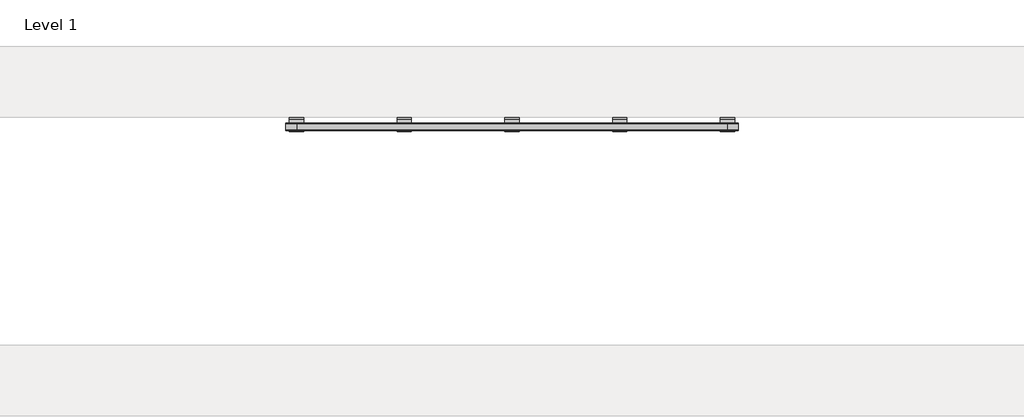
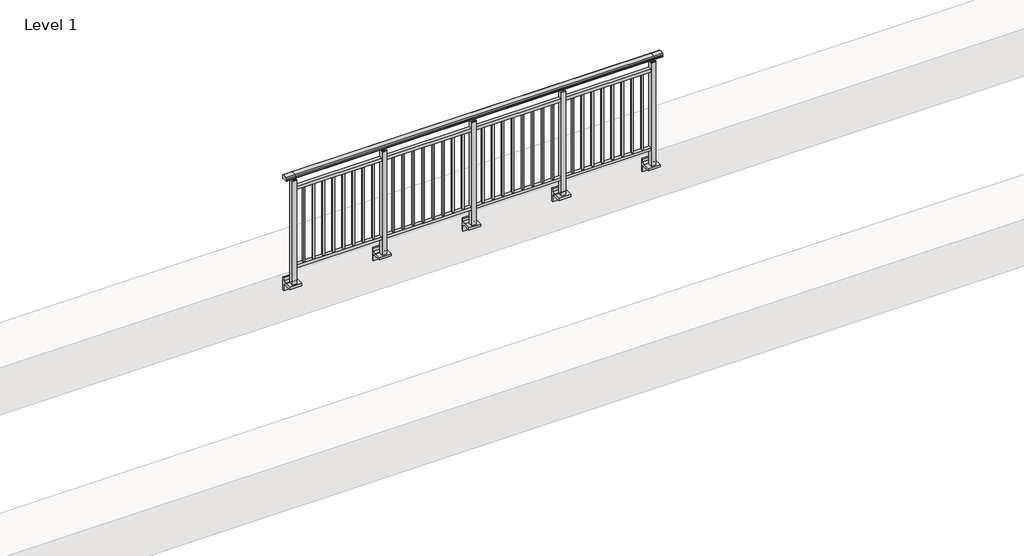
# One storey, part 15 of 64: 1 railing.
"""IFC4 building model written with IfcOpenShell, lengths in millimetres."""

from ifc_helpers import new_model, si_unit, point, frame, frame_2d, origin, place, context, project, spatial, polyline, circle_curve, trimmed, segment, composite_curve, outline, extrude, element, save
from ifc_brep_helpers import plane_surface, cylinder_surface, revolved_surface, advanced_brep

model = new_model("IFC4")

# Units and contexts
model_context = context("Model", 3, world=origin())
ifc_project = project(units=[si_unit("LENGTHUNIT", "METRE", prefix="MILLI")], contexts=[model_context])

# Site, building, storey
site = spatial("IfcSite", under=ifc_project)
building = spatial("IfcBuilding", under=site)
storey = spatial("IfcBuildingStorey", under=building, Name="Level 1", Elevation=0.0)

# Railing
placement = place(None, origin())
element("IfcRailing", 1, at=placement, inside=storey, context=model_context, shape_type="SolidModel", body=[
    advanced_brep(
    [(12910.0, 7342.8633756, 1095.6691182), (12910.0, 7347.6846828, 1081.1334092), (12910.0, 7346.7413744, 1069.2539035), (12910.0, 7348.6364177, 1061.4863007), (12910.0, 7346.9894799, 1060.384124), (12910.0, 7346.9894799, 1062.0), (12910.0, 7288.3798858, 1062.0), (12910.0, 7288.3798858, 1060.384124), (12910.0, 7286.732948, 1061.4863007), (12910.0, 7288.6279912, 1069.2539035), (12910.0, 7287.6846828, 1081.1334092), (12910.0, 7292.50599, 1095.6691182), (16690.0, 7342.8633756, 1095.6691182), (16690.0, 7292.50599, 1095.6691182), (16690.0, 7287.6846828, 1081.1334092), (16690.0, 7288.6279912, 1069.2539035), (16690.0, 7286.732948, 1061.4863007), (16690.0, 7288.3798858, 1060.384124), (16690.0, 7288.3798858, 1062.0), (16690.0, 7346.9894799, 1062.0), (16690.0, 7346.9894799, 1060.384124), (16690.0, 7348.6364177, 1061.4863007), (16690.0, 7346.7413744, 1069.2539035), (16690.0, 7347.6846828, 1081.1334092), (13000.0, 7342.8633756, 1095.6691182), (13000.0, 7347.6846828, 1081.1334092), (13000.0, 7346.7413744, 1069.2539035), (13000.0, 7348.6364177, 1061.4863007), (13000.0, 7346.9894799, 1060.384124), (13000.0, 7346.9894799, 1062.0), (13000.0, 7288.3798858, 1062.0), (13000.0, 7288.3798858, 1060.384124), (13000.0, 7286.732948, 1061.4863007), (13000.0, 7288.6279912, 1069.2539035), (13000.0, 7287.6846828, 1081.1334092), (13000.0, 7292.50599, 1095.6691182), (16600.0, 7342.8633756, 1095.6691182), (16600.0, 7347.6846828, 1081.1334092), (16600.0, 7346.7413744, 1069.2539035), (16600.0, 7348.6364177, 1061.4863007), (16600.0, 7346.9894799, 1060.384124), (16600.0, 7346.9894799, 1062.0), (16600.0, 7288.3798858, 1062.0), (16600.0, 7288.3798858, 1060.384124), (16600.0, 7286.732948, 1061.4863007), (16600.0, 7288.6279912, 1069.2539035), (16600.0, 7287.6846828, 1081.1334092), (16600.0, 7292.50599, 1095.6691182)],
    [
        (0, 1, circle_curve(frame((12910.0, 7339.6223845, 1086.526686), z_axis=(-1.0, 0.0, 0.0), x_axis=(0.0, -1.0, 0.0)), 9.6999015)),
        (1, 2, circle_curve(frame((12910.0, 7365.2252545, 1073.7633709), z_axis=(1.0, 0.0, 0.0), x_axis=(0.0, -1.0, 0.0)), 19.0260117)),
        (2, 3),
        (3, 4, circle_curve(frame((12910.0, 7347.7772073, 1060.9886194), z_axis=(-1.0, 0.0, 0.0), x_axis=(0.0, -1.0, 0.0)), 0.9929396)),
        (4, 5),
        (5, 6),
        (6, 7),
        (7, 8, circle_curve(frame((12910.0, 7287.5921584, 1060.9886194), z_axis=(-1.0, 0.0, 0.0), x_axis=(0.0, 1.0, 0.0)), 0.9929396)),
        (8, 9),
        (9, 10, circle_curve(frame((12910.0, 7270.1441111, 1073.7633709), z_axis=(1.0, 0.0, 0.0), x_axis=(0.0, 1.0, 0.0)), 19.0260117)),
        (10, 11, circle_curve(frame((12910.0, 7295.7469812, 1086.526686), z_axis=(-1.0, 0.0, 0.0), x_axis=(0.0, 1.0, 0.0)), 9.6999015)),
        (11, 0, circle_curve(frame((12910.0, 7317.6846828, 1024.6431628), z_axis=(-1.0, 0.0, 0.0), x_axis=(0.0, 1.0, 0.0)), 75.3568372)),
        (12, 13, circle_curve(frame((16690.0, 7317.6846828, 1024.6431628), z_axis=(1.0, 0.0, 0.0), x_axis=(0.0, 1.0, 0.0)), 75.3568372)),
        (13, 14, circle_curve(frame((16690.0, 7295.7469812, 1086.526686), z_axis=(1.0, 0.0, 0.0), x_axis=(0.0, 1.0, 0.0)), 9.6999015)),
        (14, 15, circle_curve(frame((16690.0, 7270.1441111, 1073.7633709), z_axis=(-1.0, 0.0, 0.0), x_axis=(0.0, 1.0, 0.0)), 19.0260117)),
        (15, 16),
        (16, 17, circle_curve(frame((16690.0, 7287.5921584, 1060.9886194), z_axis=(1.0, 0.0, 0.0), x_axis=(0.0, 1.0, 0.0)), 0.9929396)),
        (17, 18),
        (18, 19),
        (19, 20),
        (20, 21, circle_curve(frame((16690.0, 7347.7772073, 1060.9886194), z_axis=(1.0, 0.0, 0.0), x_axis=(0.0, -1.0, 0.0)), 0.9929396)),
        (21, 22),
        (22, 23, circle_curve(frame((16690.0, 7365.2252545, 1073.7633709), z_axis=(-1.0, 0.0, 0.0), x_axis=(0.0, -1.0, 0.0)), 19.0260117)),
        (23, 12, circle_curve(frame((16690.0, 7339.6223845, 1086.526686), z_axis=(1.0, 0.0, 0.0), x_axis=(0.0, -1.0, 0.0)), 9.6999015)),
        (0, 24),
        (24, 25, circle_curve(frame((13000.0, 7339.6223845, 1086.526686), z_axis=(-1.0, 0.0, 0.0), x_axis=(0.0, -1.0, 0.0)), 9.6999015)),
        (25, 1),
        (25, 26, circle_curve(frame((13000.0, 7365.2252545, 1073.7633709), z_axis=(1.0, 0.0, 0.0), x_axis=(0.0, -1.0, 0.0)), 19.0260117)),
        (26, 2),
        (26, 27),
        (27, 3),
        (27, 28, circle_curve(frame((13000.0, 7347.7772073, 1060.9886194), z_axis=(-1.0, 0.0, 0.0), x_axis=(0.0, -1.0, 0.0)), 0.9929396)),
        (28, 4),
        (28, 29),
        (29, 5),
        (29, 30),
        (30, 6),
        (30, 31),
        (31, 7),
        (31, 32, circle_curve(frame((13000.0, 7287.5921584, 1060.9886194), z_axis=(-1.0, 0.0, 0.0), x_axis=(0.0, 1.0, 0.0)), 0.9929396)),
        (32, 8),
        (32, 33),
        (33, 9),
        (33, 34, circle_curve(frame((13000.0, 7270.1441111, 1073.7633709), z_axis=(1.0, 0.0, 0.0), x_axis=(0.0, 1.0, 0.0)), 19.0260117)),
        (34, 10),
        (34, 35, circle_curve(frame((13000.0, 7295.7469812, 1086.526686), z_axis=(-1.0, 0.0, 0.0), x_axis=(0.0, 1.0, 0.0)), 9.6999015)),
        (35, 11),
        (35, 24, circle_curve(frame((13000.0, 7317.6846828, 1024.6431628), z_axis=(-1.0, 0.0, 0.0), x_axis=(0.0, 1.0, 0.0)), 75.3568372)),
        (24, 36),
        (36, 37, circle_curve(frame((16600.0, 7339.6223845, 1086.526686), z_axis=(-1.0, 0.0, 0.0), x_axis=(0.0, -1.0, 0.0)), 9.6999015)),
        (37, 25),
        (37, 38, circle_curve(frame((16600.0, 7365.2252545, 1073.7633709), z_axis=(1.0, 0.0, 0.0), x_axis=(0.0, -1.0, 0.0)), 19.0260117)),
        (38, 26),
        (38, 39),
        (39, 27),
        (39, 40, circle_curve(frame((16600.0, 7347.7772073, 1060.9886194), z_axis=(-1.0, 0.0, 0.0), x_axis=(0.0, -1.0, 0.0)), 0.9929396)),
        (40, 28),
        (40, 41),
        (41, 29),
        (41, 42),
        (42, 30),
        (42, 43),
        (43, 31),
        (43, 44, circle_curve(frame((16600.0, 7287.5921584, 1060.9886194), z_axis=(-1.0, 0.0, 0.0), x_axis=(0.0, 1.0, 0.0)), 0.9929396)),
        (44, 32),
        (44, 45),
        (45, 33),
        (45, 46, circle_curve(frame((16600.0, 7270.1441111, 1073.7633709), z_axis=(1.0, 0.0, 0.0), x_axis=(0.0, 1.0, 0.0)), 19.0260117)),
        (46, 34),
        (46, 47, circle_curve(frame((16600.0, 7295.7469812, 1086.526686), z_axis=(-1.0, 0.0, 0.0), x_axis=(0.0, 1.0, 0.0)), 9.6999015)),
        (47, 35),
        (47, 36, circle_curve(frame((16600.0, 7317.6846828, 1024.6431628), z_axis=(-1.0, 0.0, 0.0), x_axis=(0.0, 1.0, 0.0)), 75.3568372)),
        (36, 12),
        (23, 37),
        (22, 38),
        (21, 39),
        (20, 40),
        (19, 41),
        (18, 42),
        (17, 43),
        (16, 44),
        (15, 45),
        (14, 46),
        (13, 47),
    ],
    [
        plane_surface(frame((12910.0, 7317.6846828, 1100.0), z_axis=(-1.0, 0.0, 0.0), x_axis=(0.0, 1.0, 0.0))),
        plane_surface(frame((16690.0, 7317.6846828, 1100.0), z_axis=(1.0, 0.0, 0.0), x_axis=(0.0, 1.0, 0.0))),
        cylinder_surface(frame((12910.0, 7339.6223845, 1086.526686), z_axis=(-1.0, 0.0, 0.0), x_axis=(0.0, -1.0, 0.0)), 9.6999015),
        revolved_surface(polyline([(13000.0, 7346.1992428, 1073.7633709), (12910.0, 7346.1992428, 1073.7633709)]), (12910.0, 7365.2252545, 1073.7633709), (1.0, 0.0, 0.0)),
        plane_surface(frame((12910.0, 7346.7413744, 1069.2539035), z_axis=(0.0, 0.9715057689301543, 0.2370159086125439), x_axis=(1.0, 0.0, 0.0))),
        cylinder_surface(frame((12910.0, 7347.7772073, 1060.9886194), z_axis=(-1.0, 0.0, 0.0), x_axis=(0.0, -1.0, 0.0)), 0.9929396),
        plane_surface(frame((12910.0, 7346.9894799, 1060.384124), z_axis=(0.0, -1.0, 0.0), x_axis=(1.0, 0.0, 0.0))),
        plane_surface(frame((12910.0, 7346.9894799, 1062.0), z_axis=(0.0, 0.0, -1.0), x_axis=(1.0, 0.0, 0.0))),
        plane_surface(frame((12910.0, 7288.3798858, 1062.0), z_axis=(0.0, 1.0, 0.0), x_axis=(1.0, 0.0, 0.0))),
        cylinder_surface(frame((12910.0, 7287.5921584, 1060.9886194), z_axis=(-1.0, 0.0, 0.0), x_axis=(0.0, 1.0, 0.0)), 0.9929396),
        plane_surface(frame((12910.0, 7286.732948, 1061.4863007), z_axis=(0.0, -0.9715057689301543, 0.2370159086125439), x_axis=(1.0, 0.0, 0.0))),
        revolved_surface(polyline([(13000.0, 7289.1701228, 1073.7633709), (12910.0, 7289.1701228, 1073.7633709)]), (12910.0, 7270.1441111, 1073.7633709), (1.0, 0.0, 0.0)),
        cylinder_surface(frame((12910.0, 7295.7469812, 1086.526686), z_axis=(-1.0, 0.0, 0.0), x_axis=(0.0, 1.0, 0.0)), 9.6999015),
        cylinder_surface(frame((12910.0, 7317.6846828, 1024.6431628), z_axis=(-1.0, 0.0, 0.0), x_axis=(0.0, 1.0, 0.0)), 75.3568372),
        cylinder_surface(frame((13000.0, 7339.6223845, 1086.526686), z_axis=(-1.0, 0.0, 0.0), x_axis=(0.0, -1.0, 0.0)), 9.6999015),
        revolved_surface(polyline([(16600.0, 7346.1992428, 1073.7633709), (13000.0, 7346.1992428, 1073.7633709)]), (13000.0, 7365.2252545, 1073.7633709), (1.0, 0.0, 0.0)),
        plane_surface(frame((13000.0, 7346.7413744, 1069.2539035), z_axis=(0.0, 0.9715057689301543, 0.2370159086125439), x_axis=(1.0, 0.0, 0.0))),
        cylinder_surface(frame((13000.0, 7347.7772073, 1060.9886194), z_axis=(-1.0, 0.0, 0.0), x_axis=(0.0, -1.0, 0.0)), 0.9929396),
        plane_surface(frame((13000.0, 7346.9894799, 1060.384124), z_axis=(0.0, -1.0, 0.0), x_axis=(1.0, 0.0, 0.0))),
        plane_surface(frame((13000.0, 7346.9894799, 1062.0), z_axis=(0.0, 0.0, -1.0), x_axis=(1.0, 0.0, 0.0))),
        plane_surface(frame((13000.0, 7288.3798858, 1062.0), z_axis=(0.0, 1.0, 0.0), x_axis=(1.0, 0.0, 0.0))),
        cylinder_surface(frame((13000.0, 7287.5921584, 1060.9886194), z_axis=(-1.0, 0.0, 0.0), x_axis=(0.0, 1.0, 0.0)), 0.9929396),
        plane_surface(frame((13000.0, 7286.732948, 1061.4863007), z_axis=(0.0, -0.9715057689301543, 0.2370159086125439), x_axis=(1.0, 0.0, 0.0))),
        revolved_surface(polyline([(16600.0, 7289.1701228, 1073.7633709), (13000.0, 7289.1701228, 1073.7633709)]), (13000.0, 7270.1441111, 1073.7633709), (1.0, 0.0, 0.0)),
        cylinder_surface(frame((13000.0, 7295.7469812, 1086.526686), z_axis=(-1.0, 0.0, 0.0), x_axis=(0.0, 1.0, 0.0)), 9.6999015),
        cylinder_surface(frame((13000.0, 7317.6846828, 1024.6431628), z_axis=(-1.0, 0.0, 0.0), x_axis=(0.0, 1.0, 0.0)), 75.3568372),
        cylinder_surface(frame((16600.0, 7339.6223845, 1086.526686), z_axis=(-1.0, 0.0, 0.0), x_axis=(0.0, -1.0, 0.0)), 9.6999015),
        revolved_surface(polyline([(16690.0, 7346.1992428, 1073.7633709), (16600.0, 7346.1992428, 1073.7633709)]), (16600.0, 7365.2252545, 1073.7633709), (1.0, 0.0, 0.0)),
        plane_surface(frame((16600.0, 7346.7413744, 1069.2539035), z_axis=(0.0, 0.9715057689301543, 0.2370159086125439), x_axis=(1.0, 0.0, 0.0))),
        cylinder_surface(frame((16600.0, 7347.7772073, 1060.9886194), z_axis=(-1.0, 0.0, 0.0), x_axis=(0.0, -1.0, 0.0)), 0.9929396),
        plane_surface(frame((16600.0, 7346.9894799, 1060.384124), z_axis=(0.0, -1.0, 0.0), x_axis=(1.0, 0.0, 0.0))),
        plane_surface(frame((16600.0, 7346.9894799, 1062.0), z_axis=(0.0, 0.0, -1.0), x_axis=(1.0, 0.0, 0.0))),
        plane_surface(frame((16600.0, 7288.3798858, 1062.0), z_axis=(0.0, 1.0, 0.0), x_axis=(1.0, 0.0, 0.0))),
        cylinder_surface(frame((16600.0, 7287.5921584, 1060.9886194), z_axis=(-1.0, 0.0, 0.0), x_axis=(0.0, 1.0, 0.0)), 0.9929396),
        plane_surface(frame((16600.0, 7286.732948, 1061.4863007), z_axis=(0.0, -0.9715057689301543, 0.2370159086125439), x_axis=(1.0, 0.0, 0.0))),
        revolved_surface(polyline([(16690.0, 7289.1701228, 1073.7633709), (16600.0, 7289.1701228, 1073.7633709)]), (16600.0, 7270.1441111, 1073.7633709), (1.0, 0.0, 0.0)),
        cylinder_surface(frame((16600.0, 7295.7469812, 1086.526686), z_axis=(-1.0, 0.0, 0.0), x_axis=(0.0, 1.0, 0.0)), 9.6999015),
        cylinder_surface(frame((16600.0, 7317.6846828, 1024.6431628), z_axis=(-1.0, 0.0, 0.0), x_axis=(0.0, 1.0, 0.0)), 75.3568372),
    ],
    [
        (0, [[1, 2, 3, 4, 5, 6, 7, 8, 9, 10, 11, 12]]),
        (1, [[13, 14, 15, 16, 17, 18, 19, 20, 21, 22, 23, 24]]),
        (2, [[-1, 25, 26, 27]]),
        (3, [[-2, -27, 28, 29]]),
        (4, [[-3, -29, 30, 31]]),
        (5, [[-4, -31, 32, 33]]),
        (6, [[-5, -33, 34, 35]]),
        (7, [[-6, -35, 36, 37]]),
        (8, [[-7, -37, 38, 39]]),
        (9, [[-8, -39, 40, 41]]),
        (10, [[-9, -41, 42, 43]]),
        (11, [[-10, -43, 44, 45]]),
        (12, [[-11, -45, 46, 47]]),
        (13, [[-12, -47, 48, -25]]),
        (14, [[-26, 49, 50, 51]]),
        (15, [[-28, -51, 52, 53]]),
        (16, [[-30, -53, 54, 55]]),
        (17, [[-32, -55, 56, 57]]),
        (18, [[-34, -57, 58, 59]]),
        (19, [[-36, -59, 60, 61]]),
        (20, [[-38, -61, 62, 63]]),
        (21, [[-40, -63, 64, 65]]),
        (22, [[-42, -65, 66, 67]]),
        (23, [[-44, -67, 68, 69]]),
        (24, [[-46, -69, 70, 71]]),
        (25, [[-48, -71, 72, -49]]),
        (26, [[-50, 73, -24, 74]]),
        (27, [[-52, -74, -23, 75]]),
        (28, [[-54, -75, -22, 76]]),
        (29, [[-56, -76, -21, 77]]),
        (30, [[-58, -77, -20, 78]]),
        (31, [[-60, -78, -19, 79]]),
        (32, [[-62, -79, -18, 80]]),
        (33, [[-64, -80, -17, 81]]),
        (34, [[-66, -81, -16, 82]]),
        (35, [[-68, -82, -15, 83]]),
        (36, [[-70, -83, -14, 84]]),
        (37, [[-72, -84, -13, -73]]),
    ],
),
    extrude(outline(polyline([(13000.0, 7300.1846828), (13000.0, 7335.1846828), (16600.0, 7335.1846828), (16600.0, 7300.1846828), (13000.0, 7300.1846828)])), frame((0.0, 0.0, 930.0), z_axis=(0.0, 0.0, 1.0), x_axis=(1.0, 0.0, 0.0)), (0.0, 0.0, 1.0), 30.0),
    extrude(outline(polyline([(13000.0, 7300.1846828), (13000.0, 7335.1846828), (16600.0, 7335.1846828), (16600.0, 7300.1846828), (13000.0, 7300.1846828)])), frame((0.0, 0.0, 95.0), z_axis=(0.0, 0.0, 1.0), x_axis=(1.0, 0.0, 0.0)), (0.0, 0.0, 1.0), 30.0),
    extrude(outline(polyline([(16508.5, 7309.1846828), (16491.5, 7309.1846828), (16491.5, 7326.1846828), (16508.5, 7326.1846828), (16508.5, 7309.1846828)])), frame((0.0, 0.0, 125.0), z_axis=(0.0, 0.0, 1.0), x_axis=(1.0, 0.0, 0.0)), (0.0, 0.0, 1.0), 805.0),
    extrude(outline(polyline([(16408.5, 7309.1846828), (16391.5, 7309.1846828), (16391.5, 7326.1846828), (16408.5, 7326.1846828), (16408.5, 7309.1846828)])), frame((0.0, 0.0, 125.0), z_axis=(0.0, 0.0, 1.0), x_axis=(1.0, 0.0, 0.0)), (0.0, 0.0, 1.0), 805.0),
    extrude(outline(polyline([(16308.5, 7309.1846828), (16291.5, 7309.1846828), (16291.5, 7326.1846828), (16308.5, 7326.1846828), (16308.5, 7309.1846828)])), frame((0.0, 0.0, 125.0), z_axis=(0.0, 0.0, 1.0), x_axis=(1.0, 0.0, 0.0)), (0.0, 0.0, 1.0), 805.0),
    extrude(outline(polyline([(16208.5, 7309.1846828), (16191.5, 7309.1846828), (16191.5, 7326.1846828), (16208.5, 7326.1846828), (16208.5, 7309.1846828)])), frame((0.0, 0.0, 125.0), z_axis=(0.0, 0.0, 1.0), x_axis=(1.0, 0.0, 0.0)), (0.0, 0.0, 1.0), 805.0),
    extrude(outline(polyline([(16108.5, 7309.1846828), (16091.5, 7309.1846828), (16091.5, 7326.1846828), (16108.5, 7326.1846828), (16108.5, 7309.1846828)])), frame((0.0, 0.0, 125.0), z_axis=(0.0, 0.0, 1.0), x_axis=(1.0, 0.0, 0.0)), (0.0, 0.0, 1.0), 805.0),
    extrude(outline(polyline([(16008.5, 7309.1846828), (15991.5, 7309.1846828), (15991.5, 7326.1846828), (16008.5, 7326.1846828), (16008.5, 7309.1846828)])), frame((0.0, 0.0, 125.0), z_axis=(0.0, 0.0, 1.0), x_axis=(1.0, 0.0, 0.0)), (0.0, 0.0, 1.0), 805.0),
    extrude(outline(polyline([(15908.5, 7309.1846828), (15891.5, 7309.1846828), (15891.5, 7326.1846828), (15908.5, 7326.1846828), (15908.5, 7309.1846828)])), frame((0.0, 0.0, 125.0), z_axis=(0.0, 0.0, 1.0), x_axis=(1.0, 0.0, 0.0)), (0.0, 0.0, 1.0), 805.0),
    extrude(outline(polyline([(15808.5, 7309.1846828), (15791.5, 7309.1846828), (15791.5, 7326.1846828), (15808.5, 7326.1846828), (15808.5, 7309.1846828)])), frame((0.0, 0.0, 125.0), z_axis=(0.0, 0.0, 1.0), x_axis=(1.0, 0.0, 0.0)), (0.0, 0.0, 1.0), 805.0),
    extrude(outline(composite_curve([segment(polyline([(7350.1846828, -70.0), (7384.1846828, -63.0), (7384.1846828, -32.5), (7400.1846828, -32.5), (7400.1846828, -167.5), (7384.1846828, -167.5), (7384.1846828, -113.5)]), True, "CONTINUOUS"), segment(trimmed(circle_curve(frame_2d((7364.1846828, -113.5)), 20.0), [point((7384.1846828, -113.5))], [point((7364.1846828, -93.5))], True, "CARTESIAN"), True, "CONTINUOUS"), segment(polyline([(7364.1846828, -93.5), (7280.1846828, -93.5), (7280.1846828, -70.0), (7350.1846828, -70.0)]), True, "CONTINUOUS")], self_intersect=False)), frame((15640.0, 0.0, 0.0), z_axis=(1.0, 0.0, 0.0), x_axis=(0.0, 1.0, 0.0)), (0.0, 0.0, 1.0), 120.0),
    extrude(outline(polyline([(15722.5, 7340.1846828), (15722.5, 7295.1846828), (15677.5, 7295.1846828), (15677.5, 7340.1846828), (15722.5, 7340.1846828)])), frame((0.0, 0.0, -70.0), z_axis=(0.0, 0.0, 1.0), x_axis=(1.0, 0.0, 0.0)), (0.0, 0.0, 1.0), 1097.0),
    extrude(outline(polyline([(15710.0, 7327.6846828), (15710.0, 7307.6846828), (15690.0, 7307.6846828), (15690.0, 7327.6846828), (15710.0, 7327.6846828)])), frame((0.0, 0.0, 1035.0), z_axis=(0.0, 0.0, 1.0), x_axis=(1.0, 0.0, 0.0)), (0.0, 0.0, 1.0), 20.0),
    extrude(outline(polyline([(15722.5, 7340.1846828), (15722.5, 7295.1846828), (15677.5, 7295.1846828), (15677.5, 7340.1846828), (15722.5, 7340.1846828)])), frame((0.0, 0.0, 1027.0), z_axis=(0.0, 0.0, 1.0), x_axis=(1.0, 0.0, 0.0)), (0.0, 0.0, 1.0), 8.0),
    extrude(outline(polyline([(15608.5, 7309.1846828), (15591.5, 7309.1846828), (15591.5, 7326.1846828), (15608.5, 7326.1846828), (15608.5, 7309.1846828)])), frame((0.0, 0.0, 125.0), z_axis=(0.0, 0.0, 1.0), x_axis=(1.0, 0.0, 0.0)), (0.0, 0.0, 1.0), 805.0),
    extrude(outline(polyline([(15508.5, 7309.1846828), (15491.5, 7309.1846828), (15491.5, 7326.1846828), (15508.5, 7326.1846828), (15508.5, 7309.1846828)])), frame((0.0, 0.0, 125.0), z_axis=(0.0, 0.0, 1.0), x_axis=(1.0, 0.0, 0.0)), (0.0, 0.0, 1.0), 805.0),
    extrude(outline(polyline([(15408.5, 7309.1846828), (15391.5, 7309.1846828), (15391.5, 7326.1846828), (15408.5, 7326.1846828), (15408.5, 7309.1846828)])), frame((0.0, 0.0, 125.0), z_axis=(0.0, 0.0, 1.0), x_axis=(1.0, 0.0, 0.0)), (0.0, 0.0, 1.0), 805.0),
    extrude(outline(polyline([(15308.5, 7309.1846828), (15291.5, 7309.1846828), (15291.5, 7326.1846828), (15308.5, 7326.1846828), (15308.5, 7309.1846828)])), frame((0.0, 0.0, 125.0), z_axis=(0.0, 0.0, 1.0), x_axis=(1.0, 0.0, 0.0)), (0.0, 0.0, 1.0), 805.0),
    extrude(outline(polyline([(15208.5, 7309.1846828), (15191.5, 7309.1846828), (15191.5, 7326.1846828), (15208.5, 7326.1846828), (15208.5, 7309.1846828)])), frame((0.0, 0.0, 125.0), z_axis=(0.0, 0.0, 1.0), x_axis=(1.0, 0.0, 0.0)), (0.0, 0.0, 1.0), 805.0),
    extrude(outline(polyline([(15108.5, 7309.1846828), (15091.5, 7309.1846828), (15091.5, 7326.1846828), (15108.5, 7326.1846828), (15108.5, 7309.1846828)])), frame((0.0, 0.0, 125.0), z_axis=(0.0, 0.0, 1.0), x_axis=(1.0, 0.0, 0.0)), (0.0, 0.0, 1.0), 805.0),
    extrude(outline(polyline([(15008.5, 7309.1846828), (14991.5, 7309.1846828), (14991.5, 7326.1846828), (15008.5, 7326.1846828), (15008.5, 7309.1846828)])), frame((0.0, 0.0, 125.0), z_axis=(0.0, 0.0, 1.0), x_axis=(1.0, 0.0, 0.0)), (0.0, 0.0, 1.0), 805.0),
    extrude(outline(polyline([(14908.5, 7309.1846828), (14891.5, 7309.1846828), (14891.5, 7326.1846828), (14908.5, 7326.1846828), (14908.5, 7309.1846828)])), frame((0.0, 0.0, 125.0), z_axis=(0.0, 0.0, 1.0), x_axis=(1.0, 0.0, 0.0)), (0.0, 0.0, 1.0), 805.0),
    extrude(outline(composite_curve([segment(polyline([(7350.1846828, -70.0), (7384.1846828, -63.0), (7384.1846828, -32.5), (7400.1846828, -32.5), (7400.1846828, -167.5), (7384.1846828, -167.5), (7384.1846828, -113.5)]), True, "CONTINUOUS"), segment(trimmed(circle_curve(frame_2d((7364.1846828, -113.5)), 20.0), [point((7384.1846828, -113.5))], [point((7364.1846828, -93.5))], True, "CARTESIAN"), True, "CONTINUOUS"), segment(polyline([(7364.1846828, -93.5), (7280.1846828, -93.5), (7280.1846828, -70.0), (7350.1846828, -70.0)]), True, "CONTINUOUS")], self_intersect=False)), frame((14740.0, 0.0, 0.0), z_axis=(1.0, 0.0, 0.0), x_axis=(0.0, 1.0, 0.0)), (0.0, 0.0, 1.0), 120.0),
    extrude(outline(polyline([(14822.5, 7340.1846828), (14822.5, 7295.1846828), (14777.5, 7295.1846828), (14777.5, 7340.1846828), (14822.5, 7340.1846828)])), frame((0.0, 0.0, -70.0), z_axis=(0.0, 0.0, 1.0), x_axis=(1.0, 0.0, 0.0)), (0.0, 0.0, 1.0), 1097.0),
    extrude(outline(polyline([(14810.0, 7327.6846828), (14810.0, 7307.6846828), (14790.0, 7307.6846828), (14790.0, 7327.6846828), (14810.0, 7327.6846828)])), frame((0.0, 0.0, 1035.0), z_axis=(0.0, 0.0, 1.0), x_axis=(1.0, 0.0, 0.0)), (0.0, 0.0, 1.0), 20.0),
    extrude(outline(polyline([(14822.5, 7340.1846828), (14822.5, 7295.1846828), (14777.5, 7295.1846828), (14777.5, 7340.1846828), (14822.5, 7340.1846828)])), frame((0.0, 0.0, 1027.0), z_axis=(0.0, 0.0, 1.0), x_axis=(1.0, 0.0, 0.0)), (0.0, 0.0, 1.0), 8.0),
    extrude(outline(polyline([(14708.5, 7309.1846828), (14691.5, 7309.1846828), (14691.5, 7326.1846828), (14708.5, 7326.1846828), (14708.5, 7309.1846828)])), frame((0.0, 0.0, 125.0), z_axis=(0.0, 0.0, 1.0), x_axis=(1.0, 0.0, 0.0)), (0.0, 0.0, 1.0), 805.0),
    extrude(outline(polyline([(14608.5, 7309.1846828), (14591.5, 7309.1846828), (14591.5, 7326.1846828), (14608.5, 7326.1846828), (14608.5, 7309.1846828)])), frame((0.0, 0.0, 125.0), z_axis=(0.0, 0.0, 1.0), x_axis=(1.0, 0.0, 0.0)), (0.0, 0.0, 1.0), 805.0),
    extrude(outline(polyline([(14508.5, 7309.1846828), (14491.5, 7309.1846828), (14491.5, 7326.1846828), (14508.5, 7326.1846828), (14508.5, 7309.1846828)])), frame((0.0, 0.0, 125.0), z_axis=(0.0, 0.0, 1.0), x_axis=(1.0, 0.0, 0.0)), (0.0, 0.0, 1.0), 805.0),
    extrude(outline(polyline([(14408.5, 7309.1846828), (14391.5, 7309.1846828), (14391.5, 7326.1846828), (14408.5, 7326.1846828), (14408.5, 7309.1846828)])), frame((0.0, 0.0, 125.0), z_axis=(0.0, 0.0, 1.0), x_axis=(1.0, 0.0, 0.0)), (0.0, 0.0, 1.0), 805.0),
    extrude(outline(polyline([(14308.5, 7309.1846828), (14291.5, 7309.1846828), (14291.5, 7326.1846828), (14308.5, 7326.1846828), (14308.5, 7309.1846828)])), frame((0.0, 0.0, 125.0), z_axis=(0.0, 0.0, 1.0), x_axis=(1.0, 0.0, 0.0)), (0.0, 0.0, 1.0), 805.0),
    extrude(outline(polyline([(14208.5, 7309.1846828), (14191.5, 7309.1846828), (14191.5, 7326.1846828), (14208.5, 7326.1846828), (14208.5, 7309.1846828)])), frame((0.0, 0.0, 125.0), z_axis=(0.0, 0.0, 1.0), x_axis=(1.0, 0.0, 0.0)), (0.0, 0.0, 1.0), 805.0),
    extrude(outline(polyline([(14108.5, 7309.1846828), (14091.5, 7309.1846828), (14091.5, 7326.1846828), (14108.5, 7326.1846828), (14108.5, 7309.1846828)])), frame((0.0, 0.0, 125.0), z_axis=(0.0, 0.0, 1.0), x_axis=(1.0, 0.0, 0.0)), (0.0, 0.0, 1.0), 805.0),
    extrude(outline(polyline([(14008.5, 7309.1846828), (13991.5, 7309.1846828), (13991.5, 7326.1846828), (14008.5, 7326.1846828), (14008.5, 7309.1846828)])), frame((0.0, 0.0, 125.0), z_axis=(0.0, 0.0, 1.0), x_axis=(1.0, 0.0, 0.0)), (0.0, 0.0, 1.0), 805.0),
    extrude(outline(composite_curve([segment(polyline([(7350.1846828, -70.0), (7384.1846828, -63.0), (7384.1846828, -32.5), (7400.1846828, -32.5), (7400.1846828, -167.5), (7384.1846828, -167.5), (7384.1846828, -113.5)]), True, "CONTINUOUS"), segment(trimmed(circle_curve(frame_2d((7364.1846828, -113.5)), 20.0), [point((7384.1846828, -113.5))], [point((7364.1846828, -93.5))], True, "CARTESIAN"), True, "CONTINUOUS"), segment(polyline([(7364.1846828, -93.5), (7280.1846828, -93.5), (7280.1846828, -70.0), (7350.1846828, -70.0)]), True, "CONTINUOUS")], self_intersect=False)), frame((13840.0, 0.0, 0.0), z_axis=(1.0, 0.0, 0.0), x_axis=(0.0, 1.0, 0.0)), (0.0, 0.0, 1.0), 120.0),
    extrude(outline(polyline([(13922.5, 7340.1846828), (13922.5, 7295.1846828), (13877.5, 7295.1846828), (13877.5, 7340.1846828), (13922.5, 7340.1846828)])), frame((0.0, 0.0, -70.0), z_axis=(0.0, 0.0, 1.0), x_axis=(1.0, 0.0, 0.0)), (0.0, 0.0, 1.0), 1097.0),
    extrude(outline(polyline([(13910.0, 7327.6846828), (13910.0, 7307.6846828), (13890.0, 7307.6846828), (13890.0, 7327.6846828), (13910.0, 7327.6846828)])), frame((0.0, 0.0, 1035.0), z_axis=(0.0, 0.0, 1.0), x_axis=(1.0, 0.0, 0.0)), (0.0, 0.0, 1.0), 20.0),
    extrude(outline(polyline([(13922.5, 7340.1846828), (13922.5, 7295.1846828), (13877.5, 7295.1846828), (13877.5, 7340.1846828), (13922.5, 7340.1846828)])), frame((0.0, 0.0, 1027.0), z_axis=(0.0, 0.0, 1.0), x_axis=(1.0, 0.0, 0.0)), (0.0, 0.0, 1.0), 8.0),
    extrude(outline(polyline([(13808.5, 7309.1846828), (13791.5, 7309.1846828), (13791.5, 7326.1846828), (13808.5, 7326.1846828), (13808.5, 7309.1846828)])), frame((0.0, 0.0, 125.0), z_axis=(0.0, 0.0, 1.0), x_axis=(1.0, 0.0, 0.0)), (0.0, 0.0, 1.0), 805.0),
    extrude(outline(polyline([(13708.5, 7309.1846828), (13691.5, 7309.1846828), (13691.5, 7326.1846828), (13708.5, 7326.1846828), (13708.5, 7309.1846828)])), frame((0.0, 0.0, 125.0), z_axis=(0.0, 0.0, 1.0), x_axis=(1.0, 0.0, 0.0)), (0.0, 0.0, 1.0), 805.0),
    extrude(outline(polyline([(13608.5, 7309.1846828), (13591.5, 7309.1846828), (13591.5, 7326.1846828), (13608.5, 7326.1846828), (13608.5, 7309.1846828)])), frame((0.0, 0.0, 125.0), z_axis=(0.0, 0.0, 1.0), x_axis=(1.0, 0.0, 0.0)), (0.0, 0.0, 1.0), 805.0),
    extrude(outline(polyline([(13508.5, 7309.1846828), (13491.5, 7309.1846828), (13491.5, 7326.1846828), (13508.5, 7326.1846828), (13508.5, 7309.1846828)])), frame((0.0, 0.0, 125.0), z_axis=(0.0, 0.0, 1.0), x_axis=(1.0, 0.0, 0.0)), (0.0, 0.0, 1.0), 805.0),
    extrude(outline(polyline([(13408.5, 7309.1846828), (13391.5, 7309.1846828), (13391.5, 7326.1846828), (13408.5, 7326.1846828), (13408.5, 7309.1846828)])), frame((0.0, 0.0, 125.0), z_axis=(0.0, 0.0, 1.0), x_axis=(1.0, 0.0, 0.0)), (0.0, 0.0, 1.0), 805.0),
    extrude(outline(polyline([(13308.5, 7309.1846828), (13291.5, 7309.1846828), (13291.5, 7326.1846828), (13308.5, 7326.1846828), (13308.5, 7309.1846828)])), frame((0.0, 0.0, 125.0), z_axis=(0.0, 0.0, 1.0), x_axis=(1.0, 0.0, 0.0)), (0.0, 0.0, 1.0), 805.0),
    extrude(outline(polyline([(13208.5, 7309.1846828), (13191.5, 7309.1846828), (13191.5, 7326.1846828), (13208.5, 7326.1846828), (13208.5, 7309.1846828)])), frame((0.0, 0.0, 125.0), z_axis=(0.0, 0.0, 1.0), x_axis=(1.0, 0.0, 0.0)), (0.0, 0.0, 1.0), 805.0),
    extrude(outline(polyline([(13108.5, 7309.1846828), (13091.5, 7309.1846828), (13091.5, 7326.1846828), (13108.5, 7326.1846828), (13108.5, 7309.1846828)])), frame((0.0, 0.0, 125.0), z_axis=(0.0, 0.0, 1.0), x_axis=(1.0, 0.0, 0.0)), (0.0, 0.0, 1.0), 805.0),
    extrude(outline(composite_curve([segment(polyline([(7350.1846828, -70.0), (7384.1846828, -63.0), (7384.1846828, -32.5), (7400.1846828, -32.5), (7400.1846828, -167.5), (7384.1846828, -167.5), (7384.1846828, -113.5)]), True, "CONTINUOUS"), segment(trimmed(circle_curve(frame_2d((7364.1846828, -113.5)), 20.0), [point((7384.1846828, -113.5))], [point((7364.1846828, -93.5))], True, "CARTESIAN"), True, "CONTINUOUS"), segment(polyline([(7364.1846828, -93.5), (7280.1846828, -93.5), (7280.1846828, -70.0), (7350.1846828, -70.0)]), True, "CONTINUOUS")], self_intersect=False)), frame((16540.0, 0.0, 0.0), z_axis=(1.0, 0.0, 0.0), x_axis=(0.0, 1.0, 0.0)), (0.0, 0.0, 1.0), 120.0),
    extrude(outline(polyline([(16622.5, 7340.1846828), (16622.5, 7295.1846828), (16577.5, 7295.1846828), (16577.5, 7340.1846828), (16622.5, 7340.1846828)])), frame((0.0, 0.0, -70.0), z_axis=(0.0, 0.0, 1.0), x_axis=(1.0, 0.0, 0.0)), (0.0, 0.0, 1.0), 1097.0),
    extrude(outline(polyline([(16610.0, 7327.6846828), (16610.0, 7307.6846828), (16590.0, 7307.6846828), (16590.0, 7327.6846828), (16610.0, 7327.6846828)])), frame((0.0, 0.0, 1035.0), z_axis=(0.0, 0.0, 1.0), x_axis=(1.0, 0.0, 0.0)), (0.0, 0.0, 1.0), 20.0),
    extrude(outline(polyline([(16622.5, 7340.1846828), (16622.5, 7295.1846828), (16577.5, 7295.1846828), (16577.5, 7340.1846828), (16622.5, 7340.1846828)])), frame((0.0, 0.0, 1027.0), z_axis=(0.0, 0.0, 1.0), x_axis=(1.0, 0.0, 0.0)), (0.0, 0.0, 1.0), 8.0),
    extrude(outline(composite_curve([segment(polyline([(7350.1846828, -70.0), (7384.1846828, -63.0), (7384.1846828, -32.5), (7400.1846828, -32.5), (7400.1846828, -167.5), (7384.1846828, -167.5), (7384.1846828, -113.5)]), True, "CONTINUOUS"), segment(trimmed(circle_curve(frame_2d((7364.1846828, -113.5)), 20.0), [point((7384.1846828, -113.5))], [point((7364.1846828, -93.5))], True, "CARTESIAN"), True, "CONTINUOUS"), segment(polyline([(7364.1846828, -93.5), (7280.1846828, -93.5), (7280.1846828, -70.0), (7350.1846828, -70.0)]), True, "CONTINUOUS")], self_intersect=False)), frame((12940.0, 0.0, 0.0), z_axis=(1.0, 0.0, 0.0), x_axis=(0.0, 1.0, 0.0)), (0.0, 0.0, 1.0), 120.0),
    extrude(outline(polyline([(13022.5, 7340.1846828), (13022.5, 7295.1846828), (12977.5, 7295.1846828), (12977.5, 7340.1846828), (13022.5, 7340.1846828)])), frame((0.0, 0.0, -70.0), z_axis=(0.0, 0.0, 1.0), x_axis=(1.0, 0.0, 0.0)), (0.0, 0.0, 1.0), 1097.0),
    extrude(outline(polyline([(13010.0, 7327.6846828), (13010.0, 7307.6846828), (12990.0, 7307.6846828), (12990.0, 7327.6846828), (13010.0, 7327.6846828)])), frame((0.0, 0.0, 1035.0), z_axis=(0.0, 0.0, 1.0), x_axis=(1.0, 0.0, 0.0)), (0.0, 0.0, 1.0), 20.0),
    extrude(outline(polyline([(13022.5, 7340.1846828), (13022.5, 7295.1846828), (12977.5, 7295.1846828), (12977.5, 7340.1846828), (13022.5, 7340.1846828)])), frame((0.0, 0.0, 1027.0), z_axis=(0.0, 0.0, 1.0), x_axis=(1.0, 0.0, 0.0)), (0.0, 0.0, 1.0), 8.0),
])

save(model, "model.ifc")
